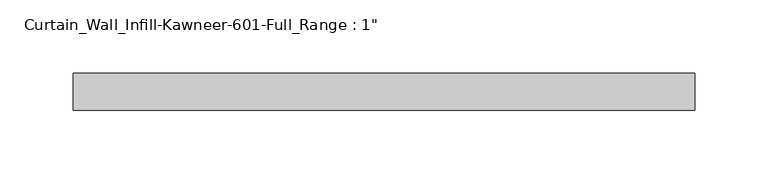
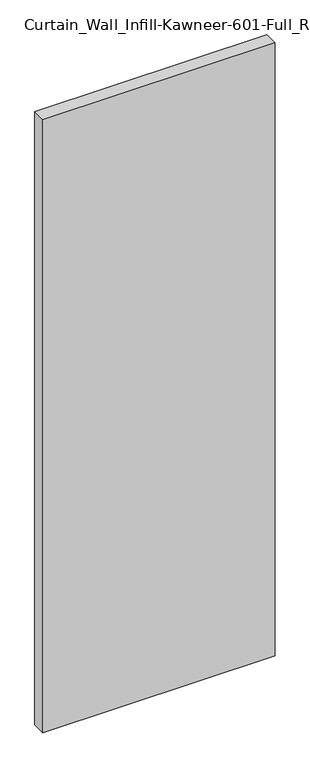
"""IFC4 building model written with IfcOpenShell, lengths in millimetres: plate geometry."""

from ifc_helpers import new_model, si_unit, origin, origin_with_axes, place, context, project, spatial, polyline, outline, extrude, source, transform, mapped, element, save


def plate_9dd8056a(model_context):
    return source(origin(), model_context, "Body", "SweptSolid", [
        extrude(outline(polyline([(-212.725, 12.7), (212.725, 12.7), (212.725, -12.7), (-212.725, -12.7), (-212.725, 12.7)])), origin_with_axes(), (0.0, 0.0, 1.0), 1187.45),
    ])


if __name__ == "__main__":
    model = new_model("IFC4")
    model_context = context("Model", 3, world=origin())
    ifc_project = project(units=[si_unit("LENGTHUNIT", "METRE", prefix="MILLI")], contexts=[model_context])
    site = spatial("IfcSite", under=ifc_project)
    building = spatial("IfcBuilding", under=site)
    placement = place(None, origin())
    plate_shape = plate_9dd8056a(model_context)
    element("IfcPlate", 1, ObjectType="Curtain_Wall_Infill-Kawneer-601-Full_Range : 1\"", at=placement, inside=building, context=model_context, shape_type="MappedRepresentation", body=[
        mapped(plate_shape, transform((0.0, 0.0, 0.0), x_axis=(1.0, 0.0, 0.0), y_axis=(0.0, 1.0, 0.0), z_axis=(0.0, 0.0, 1.0))),
    ])
    save(model, "model.ifc")
